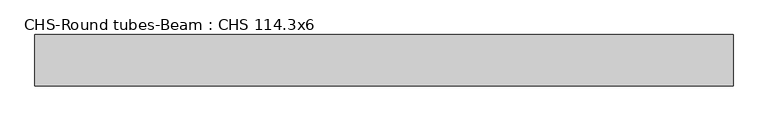
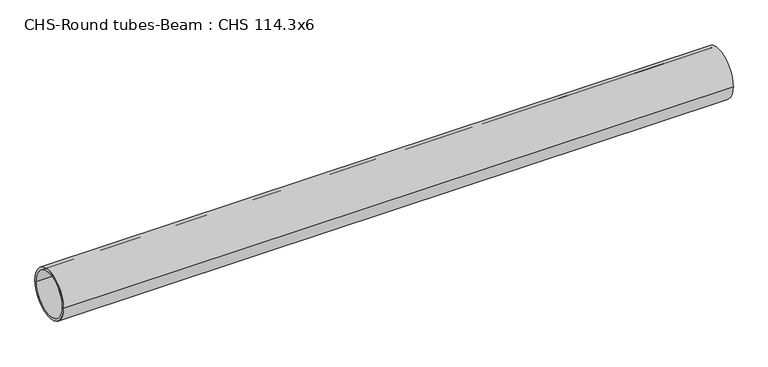
"""IFC4 building model written with IfcOpenShell, lengths in millimetres: beam geometry, CHS-Round tubes-Beam : CHS 114.3x6."""

from ifc_helpers import new_model, si_unit, point, frame, origin, origin_2d, place, context, project, spatial, circle_curve, trimmed, segment, composite_curve, outline, extrude, source, transform, mapped, element, save


def chs_round_tubes_beam_chs_114_3x6_8072a237(model_context):
    return source(origin(), model_context, "Body", "SweptSolid", [
        extrude(outline(composite_curve([segment(trimmed(circle_curve(origin_2d(), 57.15), [point((57.15, 0.0))], [point((-57.15, 0.0))], False, "CARTESIAN"), True, "CONTINUOUS"), segment(trimmed(circle_curve(origin_2d(), 57.15), [point((-57.15, 0.0))], [point((57.15, 0.0))], False, "CARTESIAN"), True, "CONTINUOUS")], self_intersect=False), holes=[composite_curve([segment(trimmed(circle_curve(origin_2d(), 51.15), [point((51.15, 0.0))], [point((-51.15, 0.0))], True, "CARTESIAN"), True, "CONTINUOUS"), segment(trimmed(circle_curve(origin_2d(), 51.15), [point((-51.15, 0.0))], [point((51.15, 0.0))], True, "CARTESIAN"), True, "CONTINUOUS")], self_intersect=False)]), frame((-747.3816277, 0.0, 0.0), z_axis=(1.0, 0.0, 0.0), x_axis=(0.0, 1.0, 0.0)), (0.0, 0.0, 1.0), 1551.3273979),
    ])


if __name__ == "__main__":
    model = new_model("IFC4")
    model_context = context("Model", 3, world=origin())
    ifc_project = project(units=[si_unit("LENGTHUNIT", "METRE", prefix="MILLI")], contexts=[model_context])
    site = spatial("IfcSite", under=ifc_project)
    building = spatial("IfcBuilding", under=site)
    placement = place(None, origin())
    chs_round_tubes_beam_chs_114_3x6_shape = chs_round_tubes_beam_chs_114_3x6_8072a237(model_context)
    element("IfcBeam", 1, ObjectType="CHS-Round tubes-Beam : CHS 114.3x6", at=placement, inside=building, context=model_context, shape_type="MappedRepresentation", body=[
        mapped(chs_round_tubes_beam_chs_114_3x6_shape, transform((0.0, 0.0, 0.0), x_axis=(1.0, 0.0, 0.0), y_axis=(0.0, 1.0, 0.0), z_axis=(0.0, 0.0, 1.0))),
    ])
    save(model, "model.ifc")
